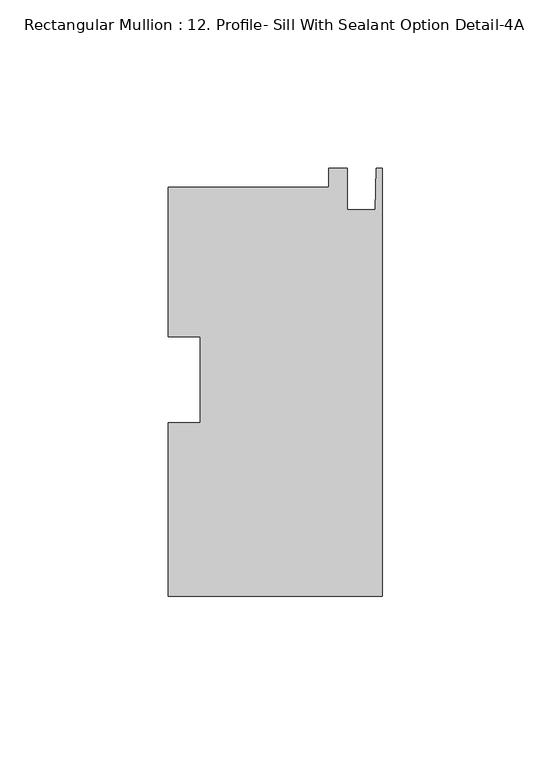
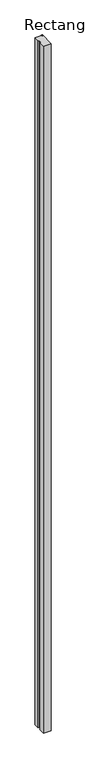
"""IFC4 building model written with IfcOpenShell, lengths in millimetres: member geometry, Rectangular Mullion : 12. Profile- Sill With Sealant Option Detail-4A."""

from ifc_helpers import new_model, si_unit, frame, origin, place, context, project, spatial, polyline, outline, extrude, source, transform, mapped, element, save


def rectangular_mullion_12_profile_sill_with_sealant_option_8347e74f(model_context):
    return source(origin(), model_context, "Body", "SweptSolid", [
        extrude(outline(polyline([(0.0, -64.2828391), (-63.5, -64.2828391), (-63.5, -12.7503782), (-53.975, -12.7503782), (-53.975, 12.7373202), (-63.5, 12.7373202), (-63.5, 57.1545609), (-15.8694428, 57.1545609), (-15.8694428, 62.7171609), (-10.3124, 62.7171609), (-10.3124, 50.3727609), (-2.032, 50.3727609), (-1.778, 62.7171609), (0.0, 62.7171609), (0.0, -64.2828391)])), frame((0.0, 0.0, -6032.5), z_axis=(0.0, 0.0, 1.0), x_axis=(1.0, 0.0, 0.0)), (0.0, 0.0, 1.0), 6032.5),
    ])


if __name__ == "__main__":
    model = new_model("IFC4")
    model_context = context("Model", 3, world=origin())
    ifc_project = project(units=[si_unit("LENGTHUNIT", "METRE", prefix="MILLI")], contexts=[model_context])
    site = spatial("IfcSite", under=ifc_project)
    building = spatial("IfcBuilding", under=site)
    placement = place(None, origin())
    rectangular_mullion_12_profile_sill_with_sealant_option_shape = rectangular_mullion_12_profile_sill_with_sealant_option_8347e74f(model_context)
    element("IfcMember", 1, ObjectType="Rectangular Mullion : 12. Profile- Sill With Sealant Option Detail-4A", at=placement, inside=building, context=model_context, shape_type="MappedRepresentation", body=[
        mapped(rectangular_mullion_12_profile_sill_with_sealant_option_shape, transform((0.0, 0.0, 0.0), x_axis=(1.0, 0.0, 0.0), y_axis=(0.0, 1.0, 0.0), z_axis=(0.0, 0.0, 1.0))),
    ])
    save(model, "model.ifc")
